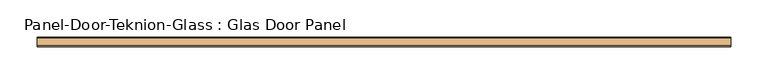
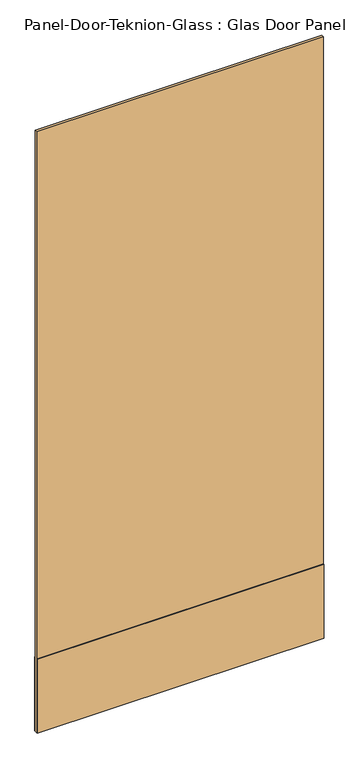
"""IFC4 building model written with IfcOpenShell, lengths in millimetres: door geometry, Panel-Door-Teknion-Glass : Glas Door Panel."""

from ifc_helpers import new_model, si_unit, frame, origin, place, context, project, spatial, polyline, outline, extrude, source, transform, mapped, element, save


def panel_door_teknion_glass_glas_door_panel_a473ddc0(model_context):
    return source(origin(), model_context, "Body", "SweptSolid", [
        extrude(outline(polyline([(466.0729344, -4.5085), (-466.0729344, -4.5085), (-466.0729344, 4.5085), (466.0729344, 4.5085), (466.0729344, -4.5085)])), frame((0.0, 0.0, 12.7), z_axis=(0.0, 0.0, 1.0), x_axis=(1.0, 0.0, 0.0)), (0.0, 0.0, 1.0), 2063.115),
        extrude(outline(polyline([(466.0729344, -6.1087), (-466.0729344, -6.1087), (-466.0729344, -4.5085), (466.0729344, -4.5085), (466.0729344, -6.1087)])), frame((0.0, 0.0, 12.7), z_axis=(0.0, 0.0, 1.0), x_axis=(1.0, 0.0, 0.0)), (0.0, 0.0, 1.0), 254.0),
        extrude(outline(polyline([(466.0729344, 4.5085), (-466.0729344, 4.5085), (-466.0729344, 6.1087), (466.0729344, 6.1087), (466.0729344, 4.5085)])), frame((0.0, 0.0, 12.7), z_axis=(0.0, 0.0, 1.0), x_axis=(1.0, 0.0, 0.0)), (0.0, 0.0, 1.0), 254.0),
    ])


if __name__ == "__main__":
    model = new_model("IFC4")
    model_context = context("Model", 3, world=origin())
    ifc_project = project(units=[si_unit("LENGTHUNIT", "METRE", prefix="MILLI")], contexts=[model_context])
    site = spatial("IfcSite", under=ifc_project)
    building = spatial("IfcBuilding", under=site)
    placement = place(None, origin())
    panel_door_teknion_glass_glas_door_panel_shape = panel_door_teknion_glass_glas_door_panel_a473ddc0(model_context)
    element("IfcDoor", 1, ObjectType="Panel-Door-Teknion-Glass : Glas Door Panel", at=placement, inside=building, context=model_context, shape_type="MappedRepresentation", body=[
        mapped(panel_door_teknion_glass_glas_door_panel_shape, transform((0.0, 0.0, 0.0), x_axis=(1.0, 0.0, 0.0), y_axis=(0.0, 1.0, 0.0), z_axis=(0.0, 0.0, 1.0))),
    ])
    save(model, "model.ifc")
